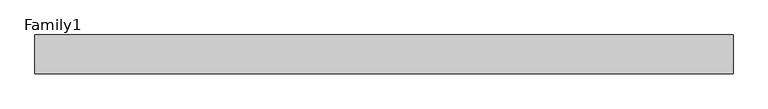
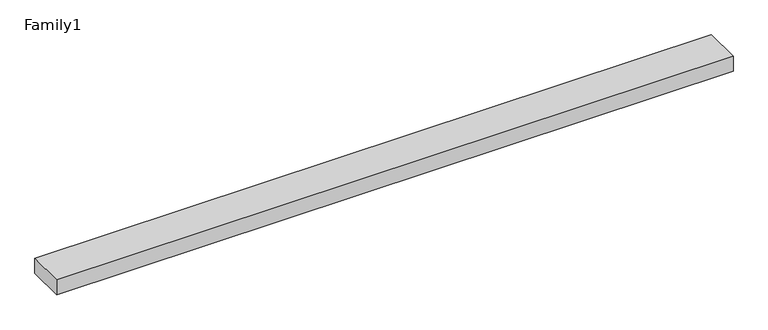
"""IFC4 building model written with IfcOpenShell, lengths in millimetres: proxy geometry, Family1."""

from ifc_helpers import new_model, si_unit, origin, origin_with_axes, place, context, project, spatial, polyline, outline, extrude, source, transform, mapped, element, save


def family1_7836b165(model_context):
    return source(origin(), model_context, "Body", "SweptSolid", [
        extrude(outline(polyline([(90000.0, 0.0), (0.0, 0.0), (0.0, 5000.0), (90000.0, 5000.0), (90000.0, 0.0)])), origin_with_axes(), (0.0, 0.0, 1.0), 2055.0),
    ])


if __name__ == "__main__":
    model = new_model("IFC4")
    model_context = context("Model", 3, world=origin())
    ifc_project = project(units=[si_unit("LENGTHUNIT", "METRE", prefix="MILLI")], contexts=[model_context])
    site = spatial("IfcSite", under=ifc_project)
    building = spatial("IfcBuilding", under=site)
    placement = place(None, origin())
    family1_shape = family1_7836b165(model_context)
    element("IfcBuildingElementProxy", 1, Name="Family1", ObjectType="Family1", at=placement, inside=building, context=model_context, shape_type="MappedRepresentation", body=[
        mapped(family1_shape, transform((0.0, 0.0, 0.0), x_axis=(1.0, 0.0, 0.0), y_axis=(0.0, 1.0, 0.0), z_axis=(0.0, 0.0, 1.0))),
    ])
    save(model, "model.ifc")
